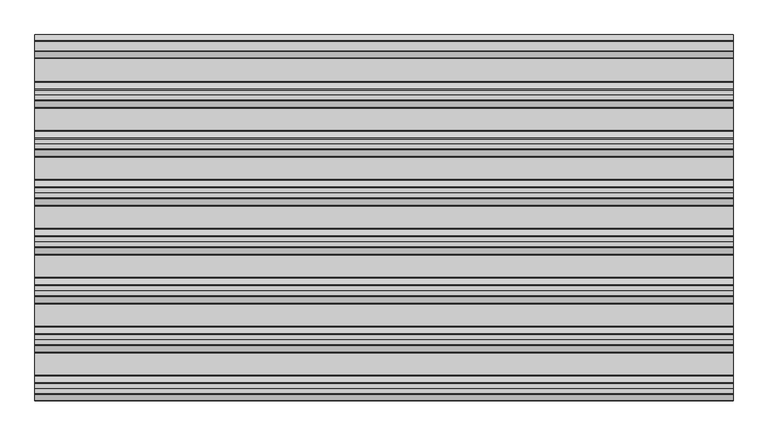
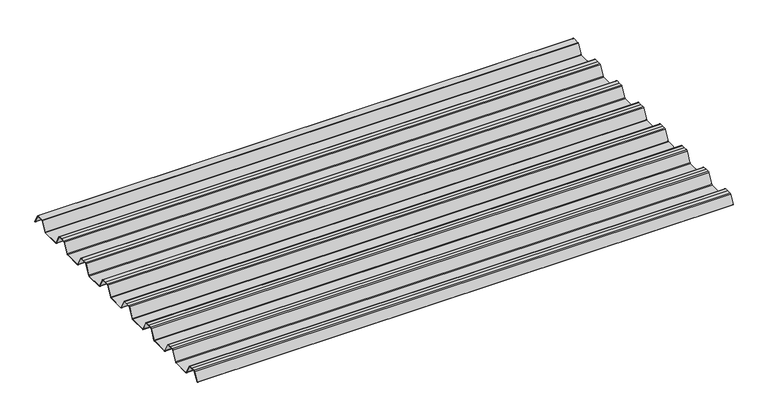
"""IFC4 building model written with IfcOpenShell, lengths in millimetres: beam geometry."""

from ifc_helpers import new_model, si_unit, point, frame, frame_2d, origin, place, context, project, spatial, polyline, circle_curve, trimmed, segment, composite_curve, outline, extrude, source, transform, mapped, element, save


def beam_c3ec1a8e(model_context):
    return source(origin(), model_context, "Body", "SweptSolid", [
        extrude(outline(composite_curve([segment(trimmed(circle_curve(frame_2d((12.4202706, 6.454055)), 0.7571435), [point((13.1162593, 6.7521591))], [point((12.456054, 7.2103525))], True, "CARTESIAN"), True, "CONTINUOUS"), segment(polyline([(12.456054, 7.2103525), (-12.456054, 7.2103525)]), True, "CONTINUOUS"), segment(trimmed(circle_curve(frame_2d((-12.4202706, 6.454055)), 0.7571435), [point((-12.456054, 7.2103525))], [point((-13.1162593, 6.7521591))], True, "CARTESIAN"), True, "CONTINUOUS"), segment(polyline([(-13.1162593, 6.7521591), (-29.7452902, -24.2632513)]), True, "CONTINUOUS"), segment(trimmed(circle_curve(frame_2d((-32.2956191, -22.8958828)), 2.8937647), [point((-29.7452902, -24.2632513))], [point((-32.2956191, -25.7896475))], False, "CARTESIAN"), True, "CONTINUOUS"), segment(polyline([(-32.2956191, -25.7896475), (-92.0, -25.7896475)]), True, "CONTINUOUS"), segment(trimmed(circle_curve(frame_2d((-91.9202706, -22.03335)), 3.7571435), [point((-92.0, -25.7896475))], [point((-95.2893314, -23.6963464))], False, "CARTESIAN"), True, "CONTINUOUS"), segment(polyline([(-95.2893314, -23.6963464), (-112.0926736, 7.6441785)]), True, "CONTINUOUS"), segment(trimmed(circle_curve(frame_2d((-114.5797294, 6.454055)), 2.7571435), [point((-112.0926736, 7.6441785))], [point((-114.511431, 9.2103525))], True, "CARTESIAN"), True, "CONTINUOUS"), segment(polyline([(-114.511431, 9.2103525), (-127.0, 9.2103525), (-139.488569, 9.2103525)]), True, "CONTINUOUS"), segment(trimmed(circle_curve(frame_2d((-139.4202706, 6.454055)), 2.7571435), [point((-139.488569, 9.2103525))], [point((-141.9073264, 7.6441785))], True, "CARTESIAN"), True, "CONTINUOUS"), segment(polyline([(-141.9073264, 7.6441785), (-158.7106686, -23.6963464)]), True, "CONTINUOUS"), segment(trimmed(circle_curve(frame_2d((-162.0797294, -22.03335)), 3.7571435), [point((-158.7106686, -23.6963464))], [point((-162.0, -25.7896475))], False, "CARTESIAN"), True, "CONTINUOUS"), segment(polyline([(-162.0, -25.7896475), (-219.0, -25.7896475)]), True, "CONTINUOUS"), segment(trimmed(circle_curve(frame_2d((-218.9202706, -22.03335)), 3.7571435), [point((-219.0, -25.7896475))], [point((-222.2893314, -23.6963464))], False, "CARTESIAN"), True, "CONTINUOUS"), segment(polyline([(-222.2893314, -23.6963464), (-239.0926736, 7.6441785)]), True, "CONTINUOUS"), segment(trimmed(circle_curve(frame_2d((-241.5797294, 6.454055)), 2.7571435), [point((-239.0926736, 7.6441785))], [point((-241.511431, 9.2103525))], True, "CARTESIAN"), True, "CONTINUOUS"), segment(polyline([(-241.511431, 9.2103525), (-254.0, 9.2103525), (-266.488569, 9.2103525)]), True, "CONTINUOUS"), segment(trimmed(circle_curve(frame_2d((-266.4202706, 6.454055)), 2.7571435), [point((-266.488569, 9.2103525))], [point((-268.9073264, 7.6441785))], True, "CARTESIAN"), True, "CONTINUOUS"), segment(polyline([(-268.9073264, 7.6441785), (-285.7106686, -23.6963464)]), True, "CONTINUOUS"), segment(trimmed(circle_curve(frame_2d((-289.0797294, -22.03335)), 3.7571435), [point((-285.7106686, -23.6963464))], [point((-289.0, -25.7896475))], False, "CARTESIAN"), True, "CONTINUOUS"), segment(polyline([(-289.0, -25.7896475), (-346.0, -25.7896475)]), True, "CONTINUOUS"), segment(trimmed(circle_curve(frame_2d((-345.9202706, -22.03335)), 3.7571435), [point((-346.0, -25.7896475))], [point((-349.2893314, -23.6963464))], False, "CARTESIAN"), True, "CONTINUOUS"), segment(polyline([(-349.2893314, -23.6963464), (-366.0926736, 7.6441785)]), True, "CONTINUOUS"), segment(trimmed(circle_curve(frame_2d((-368.5797294, 6.454055)), 2.7571435), [point((-366.0926736, 7.6441785))], [point((-368.511431, 9.2103525))], True, "CARTESIAN"), True, "CONTINUOUS"), segment(polyline([(-368.511431, 9.2103525), (-381.0, 9.2103525), (-393.488569, 9.2103525)]), True, "CONTINUOUS"), segment(trimmed(circle_curve(frame_2d((-393.4202706, 6.454055)), 2.7571435), [point((-393.488569, 9.2103525))], [point((-395.9073264, 7.6441785))], True, "CARTESIAN"), True, "CONTINUOUS"), segment(polyline([(-395.9073264, 7.6441785), (-412.7106686, -23.6963464)]), True, "CONTINUOUS"), segment(trimmed(circle_curve(frame_2d((-416.0797294, -22.03335)), 3.7571435), [point((-412.7106686, -23.6963464))], [point((-416.0, -25.7896475))], False, "CARTESIAN"), True, "CONTINUOUS"), segment(polyline([(-416.0, -25.7896475), (-473.0, -25.7896475)]), True, "CONTINUOUS"), segment(trimmed(circle_curve(frame_2d((-472.9202706, -22.03335)), 3.7571435), [point((-473.0, -25.7896475))], [point((-476.2893314, -23.6963464))], False, "CARTESIAN"), True, "CONTINUOUS"), segment(polyline([(-476.2893314, -23.6963464), (-493.0926736, 7.6441785)]), True, "CONTINUOUS"), segment(trimmed(circle_curve(frame_2d((-495.5797294, 6.454055)), 2.7571435), [point((-493.0926736, 7.6441785))], [point((-495.511431, 9.2103525))], True, "CARTESIAN"), True, "CONTINUOUS"), segment(polyline([(-495.511431, 9.2103525), (-508.0, 9.2103525), (-520.488569, 9.2103525)]), True, "CONTINUOUS"), segment(trimmed(circle_curve(frame_2d((-520.4202706, 6.454055)), 2.7571435), [point((-520.488569, 9.2103525))], [point((-522.9073264, 7.6441785))], True, "CARTESIAN"), True, "CONTINUOUS"), segment(polyline([(-522.9073264, 7.6441785), (-539.7106686, -23.6963464)]), True, "CONTINUOUS"), segment(trimmed(circle_curve(frame_2d((-543.0797294, -22.03335)), 3.7571435), [point((-539.7106686, -23.6963464))], [point((-543.0, -25.7896475))], False, "CARTESIAN"), True, "CONTINUOUS"), segment(polyline([(-543.0, -25.7896475), (-600.0, -25.7896475)]), True, "CONTINUOUS"), segment(trimmed(circle_curve(frame_2d((-599.9202706, -22.03335)), 3.7571435), [point((-600.0, -25.7896475))], [point((-603.2893314, -23.6963464))], False, "CARTESIAN"), True, "CONTINUOUS"), segment(polyline([(-603.2893314, -23.6963464), (-620.0926736, 7.6441785)]), True, "CONTINUOUS"), segment(trimmed(circle_curve(frame_2d((-622.5797294, 6.454055)), 2.7571435), [point((-620.0926736, 7.6441785))], [point((-622.511431, 9.2103525))], True, "CARTESIAN"), True, "CONTINUOUS"), segment(polyline([(-622.511431, 9.2103525), (-635.0, 9.2103525), (-647.488569, 9.2103525)]), True, "CONTINUOUS"), segment(trimmed(circle_curve(frame_2d((-647.4202706, 6.454055)), 2.7571435), [point((-647.488569, 9.2103525))], [point((-649.9073264, 7.6441785))], True, "CARTESIAN"), True, "CONTINUOUS"), segment(polyline([(-649.9073264, 7.6441785), (-666.7106686, -23.6963464)]), True, "CONTINUOUS"), segment(trimmed(circle_curve(frame_2d((-670.0797294, -22.03335)), 3.7571435), [point((-666.7106686, -23.6963464))], [point((-670.0, -25.7896475))], False, "CARTESIAN"), True, "CONTINUOUS"), segment(polyline([(-670.0, -25.7896475), (-727.0, -25.7896475)]), True, "CONTINUOUS"), segment(trimmed(circle_curve(frame_2d((-726.9202706, -22.03335)), 3.7571435), [point((-727.0, -25.7896475))], [point((-730.2893314, -23.6963464))], False, "CARTESIAN"), True, "CONTINUOUS"), segment(polyline([(-730.2893314, -23.6963464), (-747.0926736, 7.6441785)]), True, "CONTINUOUS"), segment(trimmed(circle_curve(frame_2d((-749.5797294, 6.454055)), 2.7571435), [point((-747.0926736, 7.6441785))], [point((-749.511431, 9.2103525))], True, "CARTESIAN"), True, "CONTINUOUS"), segment(polyline([(-749.511431, 9.2103525), (-762.0, 9.2103525), (-774.488569, 9.2103525)]), True, "CONTINUOUS"), segment(trimmed(circle_curve(frame_2d((-774.4202706, 6.454055)), 2.7571435), [point((-774.488569, 9.2103525))], [point((-776.9073264, 7.6441785))], True, "CARTESIAN"), True, "CONTINUOUS"), segment(polyline([(-776.9073264, 7.6441785), (-793.7106686, -23.6963464)]), True, "CONTINUOUS"), segment(trimmed(circle_curve(frame_2d((-797.0797294, -22.03335)), 3.7571435), [point((-793.7106686, -23.6963464))], [point((-797.0, -25.7896475))], False, "CARTESIAN"), True, "CONTINUOUS"), segment(polyline([(-797.0, -25.7896475), (-854.0, -25.7896475)]), True, "CONTINUOUS"), segment(trimmed(circle_curve(frame_2d((-853.9202706, -22.03335)), 3.7571435), [point((-854.0, -25.7896475))], [point((-857.2893314, -23.6963464))], False, "CARTESIAN"), True, "CONTINUOUS"), segment(polyline([(-857.2893314, -23.6963464), (-874.0926736, 7.6441785)]), True, "CONTINUOUS"), segment(trimmed(circle_curve(frame_2d((-876.5797294, 6.454055)), 2.7571435), [point((-874.0926736, 7.6441785))], [point((-876.511431, 9.2103525))], True, "CARTESIAN"), True, "CONTINUOUS"), segment(polyline([(-876.511431, 9.2103525), (-889.0, 9.2103525), (-901.488569, 9.2103525)]), True, "CONTINUOUS"), segment(trimmed(circle_curve(frame_2d((-901.4202706, 6.454055)), 2.7571435), [point((-901.488569, 9.2103525))], [point((-903.9073264, 7.6441785))], True, "CARTESIAN"), True, "CONTINUOUS"), segment(polyline([(-903.9073264, 7.6441785), (-918.9585755, -20.4284536)]), True, "CONTINUOUS"), segment(trimmed(circle_curve(frame_2d((-919.3992348, -20.1921924)), 0.5), [point((-918.9585755, -20.4284536))], [point((-919.8398941, -19.9559313))], False, "CARTESIAN"), True, "CONTINUOUS"), segment(polyline([(-919.8398941, -19.9559313), (-904.7986379, 8.0980628)]), True, "CONTINUOUS"), segment(trimmed(circle_curve(frame_2d((-901.4202706, 6.454055)), 3.7571435), [point((-904.7986379, 8.0980628))], [point((-901.5, 10.2103525))], False, "CARTESIAN"), True, "CONTINUOUS"), segment(polyline([(-901.5, 10.2103525), (-889.0, 10.2103525), (-876.5, 10.2103525)]), True, "CONTINUOUS"), segment(trimmed(circle_curve(frame_2d((-876.5797294, 6.454055)), 3.7571435), [point((-876.5, 10.2103525))], [point((-873.2013621, 8.0980628))], False, "CARTESIAN"), True, "CONTINUOUS"), segment(polyline([(-873.2013621, 8.0980628), (-856.3994529, -23.2397892)]), True, "CONTINUOUS"), segment(trimmed(circle_curve(frame_2d((-853.9202706, -22.03335)), 2.7571435), [point((-856.3994529, -23.2397892))], [point((-853.988569, -24.7896475))], True, "CARTESIAN"), True, "CONTINUOUS"), segment(polyline([(-853.988569, -24.7896475), (-797.011431, -24.7896475)]), True, "CONTINUOUS"), segment(trimmed(circle_curve(frame_2d((-797.0797294, -22.03335)), 2.7571435), [point((-797.011431, -24.7896475))], [point((-794.6005471, -23.2397892))], True, "CARTESIAN"), True, "CONTINUOUS"), segment(polyline([(-794.6005471, -23.2397892), (-777.7986379, 8.0980628)]), True, "CONTINUOUS"), segment(trimmed(circle_curve(frame_2d((-774.4202706, 6.454055)), 3.7571435), [point((-777.7986379, 8.0980628))], [point((-774.5, 10.2103525))], False, "CARTESIAN"), True, "CONTINUOUS"), segment(polyline([(-774.5, 10.2103525), (-762.0, 10.2103525), (-749.5, 10.2103525)]), True, "CONTINUOUS"), segment(trimmed(circle_curve(frame_2d((-749.5797294, 6.454055)), 3.7571435), [point((-749.5, 10.2103525))], [point((-746.2013621, 8.0980628))], False, "CARTESIAN"), True, "CONTINUOUS"), segment(polyline([(-746.2013621, 8.0980628), (-729.3994529, -23.2397892)]), True, "CONTINUOUS"), segment(trimmed(circle_curve(frame_2d((-726.9202706, -22.03335)), 2.7571435), [point((-729.3994529, -23.2397892))], [point((-726.988569, -24.7896475))], True, "CARTESIAN"), True, "CONTINUOUS"), segment(polyline([(-726.988569, -24.7896475), (-670.011431, -24.7896475)]), True, "CONTINUOUS"), segment(trimmed(circle_curve(frame_2d((-670.0797294, -22.03335)), 2.7571435), [point((-670.011431, -24.7896475))], [point((-667.6005471, -23.2397892))], True, "CARTESIAN"), True, "CONTINUOUS"), segment(polyline([(-667.6005471, -23.2397892), (-650.7986379, 8.0980628)]), True, "CONTINUOUS"), segment(trimmed(circle_curve(frame_2d((-647.4202706, 6.454055)), 3.7571435), [point((-650.7986379, 8.0980628))], [point((-647.5, 10.2103525))], False, "CARTESIAN"), True, "CONTINUOUS"), segment(polyline([(-647.5, 10.2103525), (-635.0, 10.2103525), (-622.5, 10.2103525)]), True, "CONTINUOUS"), segment(trimmed(circle_curve(frame_2d((-622.5797294, 6.454055)), 3.7571435), [point((-622.5, 10.2103525))], [point((-619.2013621, 8.0980628))], False, "CARTESIAN"), True, "CONTINUOUS"), segment(polyline([(-619.2013621, 8.0980628), (-602.3994529, -23.2397892)]), True, "CONTINUOUS"), segment(trimmed(circle_curve(frame_2d((-599.9202706, -22.03335)), 2.7571435), [point((-602.3994529, -23.2397892))], [point((-599.988569, -24.7896475))], True, "CARTESIAN"), True, "CONTINUOUS"), segment(polyline([(-599.988569, -24.7896475), (-543.011431, -24.7896475)]), True, "CONTINUOUS"), segment(trimmed(circle_curve(frame_2d((-543.0797294, -22.03335)), 2.7571435), [point((-543.011431, -24.7896475))], [point((-540.6005471, -23.2397892))], True, "CARTESIAN"), True, "CONTINUOUS"), segment(polyline([(-540.6005471, -23.2397892), (-523.7986379, 8.0980628)]), True, "CONTINUOUS"), segment(trimmed(circle_curve(frame_2d((-520.4202706, 6.454055)), 3.7571435), [point((-523.7986379, 8.0980628))], [point((-520.5, 10.2103525))], False, "CARTESIAN"), True, "CONTINUOUS"), segment(polyline([(-520.5, 10.2103525), (-508.0, 10.2103525), (-495.5, 10.2103525)]), True, "CONTINUOUS"), segment(trimmed(circle_curve(frame_2d((-495.5797294, 6.454055)), 3.7571435), [point((-495.5, 10.2103525))], [point((-492.2013621, 8.0980628))], False, "CARTESIAN"), True, "CONTINUOUS"), segment(polyline([(-492.2013621, 8.0980628), (-475.3994529, -23.2397892)]), True, "CONTINUOUS"), segment(trimmed(circle_curve(frame_2d((-472.9202706, -22.03335)), 2.7571435), [point((-475.3994529, -23.2397892))], [point((-472.988569, -24.7896475))], True, "CARTESIAN"), True, "CONTINUOUS"), segment(polyline([(-472.988569, -24.7896475), (-416.011431, -24.7896475)]), True, "CONTINUOUS"), segment(trimmed(circle_curve(frame_2d((-416.0797294, -22.03335)), 2.7571435), [point((-416.011431, -24.7896475))], [point((-413.6005471, -23.2397892))], True, "CARTESIAN"), True, "CONTINUOUS"), segment(polyline([(-413.6005471, -23.2397892), (-396.7986379, 8.0980628)]), True, "CONTINUOUS"), segment(trimmed(circle_curve(frame_2d((-393.4202706, 6.454055)), 3.7571435), [point((-396.7986379, 8.0980628))], [point((-393.5, 10.2103525))], False, "CARTESIAN"), True, "CONTINUOUS"), segment(polyline([(-393.5, 10.2103525), (-381.0, 10.2103525), (-368.5, 10.2103525)]), True, "CONTINUOUS"), segment(trimmed(circle_curve(frame_2d((-368.5797294, 6.454055)), 3.7571435), [point((-368.5, 10.2103525))], [point((-365.2013621, 8.0980628))], False, "CARTESIAN"), True, "CONTINUOUS"), segment(polyline([(-365.2013621, 8.0980628), (-348.3994529, -23.2397892)]), True, "CONTINUOUS"), segment(trimmed(circle_curve(frame_2d((-345.9202706, -22.03335)), 2.7571435), [point((-348.3994529, -23.2397892))], [point((-345.988569, -24.7896475))], True, "CARTESIAN"), True, "CONTINUOUS"), segment(polyline([(-345.988569, -24.7896475), (-289.011431, -24.7896475)]), True, "CONTINUOUS"), segment(trimmed(circle_curve(frame_2d((-289.0797294, -22.03335)), 2.7571435), [point((-289.011431, -24.7896475))], [point((-286.6005471, -23.2397892))], True, "CARTESIAN"), True, "CONTINUOUS"), segment(polyline([(-286.6005471, -23.2397892), (-269.7986379, 8.0980628)]), True, "CONTINUOUS"), segment(trimmed(circle_curve(frame_2d((-266.4202706, 6.454055)), 3.7571435), [point((-269.7986379, 8.0980628))], [point((-266.5, 10.2103525))], False, "CARTESIAN"), True, "CONTINUOUS"), segment(polyline([(-266.5, 10.2103525), (-254.0, 10.2103525), (-241.5, 10.2103525)]), True, "CONTINUOUS"), segment(trimmed(circle_curve(frame_2d((-241.5797294, 6.454055)), 3.7571435), [point((-241.5, 10.2103525))], [point((-238.2013621, 8.0980628))], False, "CARTESIAN"), True, "CONTINUOUS"), segment(polyline([(-238.2013621, 8.0980628), (-221.3994529, -23.2397892)]), True, "CONTINUOUS"), segment(trimmed(circle_curve(frame_2d((-218.9202706, -22.03335)), 2.7571435), [point((-221.3994529, -23.2397892))], [point((-218.988569, -24.7896475))], True, "CARTESIAN"), True, "CONTINUOUS"), segment(polyline([(-218.988569, -24.7896475), (-162.011431, -24.7896475)]), True, "CONTINUOUS"), segment(trimmed(circle_curve(frame_2d((-162.0797294, -22.03335)), 2.7571435), [point((-162.011431, -24.7896475))], [point((-159.6005471, -23.2397892))], True, "CARTESIAN"), True, "CONTINUOUS"), segment(polyline([(-159.6005471, -23.2397892), (-142.7986379, 8.0980628)]), True, "CONTINUOUS"), segment(trimmed(circle_curve(frame_2d((-139.4202706, 6.454055)), 3.7571435), [point((-142.7986379, 8.0980628))], [point((-139.5, 10.2103525))], False, "CARTESIAN"), True, "CONTINUOUS"), segment(polyline([(-139.5, 10.2103525), (-127.0, 10.2103525), (-114.5, 10.2103525)]), True, "CONTINUOUS"), segment(trimmed(circle_curve(frame_2d((-114.5797294, 6.454055)), 3.7571435), [point((-114.5, 10.2103525))], [point((-111.2013621, 8.0980628))], False, "CARTESIAN"), True, "CONTINUOUS"), segment(polyline([(-111.2013621, 8.0980628), (-94.3994529, -23.2397892)]), True, "CONTINUOUS"), segment(trimmed(circle_curve(frame_2d((-91.9202706, -22.03335)), 2.7571435), [point((-94.3994529, -23.2397892))], [point((-91.988569, -24.7896475))], True, "CARTESIAN"), True, "CONTINUOUS"), segment(polyline([(-91.988569, -24.7896475), (-32.2956191, -24.7896475)]), True, "CONTINUOUS"), segment(trimmed(circle_curve(frame_2d((-32.2956191, -22.8958828)), 1.8937647), [point((-32.2956191, -24.7896475))], [point((-30.6266089, -23.790729))], True, "CARTESIAN"), True, "CONTINUOUS"), segment(polyline([(-30.6266089, -23.790729), (-14.013963, 7.1941212)]), True, "CONTINUOUS"), segment(trimmed(circle_curve(frame_2d((-12.4202706, 6.454055)), 1.7571435), [point((-14.013963, 7.1941212))], [point((-12.4747918, 8.2103525))], False, "CARTESIAN"), True, "CONTINUOUS"), segment(polyline([(-12.4747918, 8.2103525), (12.4747918, 8.2103525)]), True, "CONTINUOUS"), segment(trimmed(circle_curve(frame_2d((12.4202706, 6.454055)), 1.7571435), [point((12.4747918, 8.2103525))], [point((14.013963, 7.1941212))], False, "CARTESIAN"), True, "CONTINUOUS"), segment(polyline([(14.013963, 7.1941212), (29.5895021, -21.8563833)]), True, "CONTINUOUS"), segment(trimmed(circle_curve(frame_2d((29.1488427, -22.0926445)), 0.5), [point((29.5895021, -21.8563833))], [point((28.7081834, -22.3289057))], False, "CARTESIAN"), True, "CONTINUOUS"), segment(polyline([(28.7081834, -22.3289057), (13.1162593, 6.7521591)]), True, "CONTINUOUS")], self_intersect=False)), frame((-905.0, 0.0, 0.0), z_axis=(1.0, 0.0, 0.0), x_axis=(0.0, 1.0, 0.0)), (0.0, 0.0, 1.0), 1810.0),
    ])


if __name__ == "__main__":
    model = new_model("IFC4")
    model_context = context("Model", 3, world=origin())
    ifc_project = project(units=[si_unit("LENGTHUNIT", "METRE", prefix="MILLI")], contexts=[model_context])
    site = spatial("IfcSite", under=ifc_project)
    building = spatial("IfcBuilding", under=site)
    placement = place(None, origin())
    beam_shape = beam_c3ec1a8e(model_context)
    element("IfcBeam", 1, at=placement, inside=building, context=model_context, shape_type="MappedRepresentation", body=[
        mapped(beam_shape, transform((0.0, 0.0, 0.0), x_axis=(1.0, 0.0, 0.0), y_axis=(0.0, 1.0, 0.0), z_axis=(0.0, 0.0, 1.0))),
    ])
    save(model, "model.ifc")
